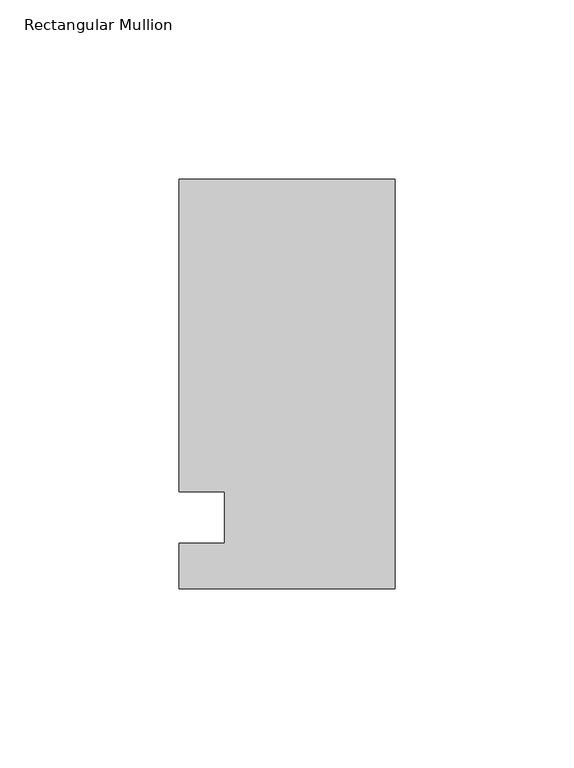
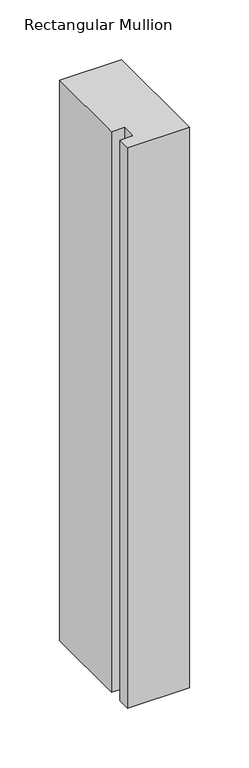
"""IFC4 building model written with IfcOpenShell, lengths in millimetres: member geometry, Rectangular Mullion."""

from ifc_helpers import new_model, si_unit, frame, origin, place, context, project, spatial, polyline, outline, extrude, source, transform, mapped, element, save


def rectangular_mullion_3b021376(model_context):
    return source(origin(), model_context, "Body", "SweptSolid", [
        extrude(outline(polyline([(-60.325, 94.45625), (0.0, 94.45625), (0.0, -19.84375), (-60.325, -19.84375), (-60.325, -7.14375), (-47.625, -7.14375), (-47.625, 7.14375), (-60.325, 7.14375), (-60.325, 94.45625)])), frame((0.0, 0.0, -574.675), z_axis=(0.0, 0.0, 1.0), x_axis=(1.0, 0.0, 0.0)), (0.0, 0.0, 1.0), 574.675),
    ])


if __name__ == "__main__":
    model = new_model("IFC4")
    model_context = context("Model", 3, world=origin())
    ifc_project = project(units=[si_unit("LENGTHUNIT", "METRE", prefix="MILLI")], contexts=[model_context])
    site = spatial("IfcSite", under=ifc_project)
    building = spatial("IfcBuilding", under=site)
    placement = place(None, origin())
    rectangular_mullion_shape = rectangular_mullion_3b021376(model_context)
    element("IfcMember", 1, ObjectType="Rectangular Mullion", at=placement, inside=building, context=model_context, shape_type="MappedRepresentation", body=[
        mapped(rectangular_mullion_shape, transform((0.0, 0.0, 0.0), x_axis=(1.0, 0.0, 0.0), y_axis=(0.0, 1.0, 0.0), z_axis=(0.0, 0.0, 1.0))),
    ])
    save(model, "model.ifc")
